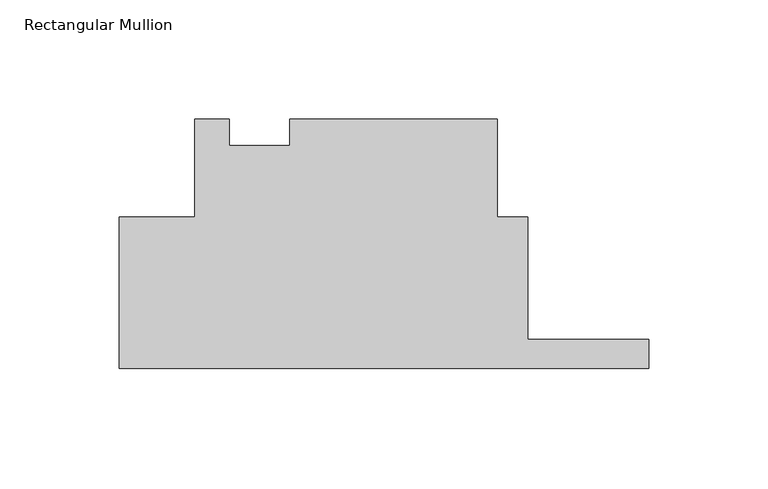
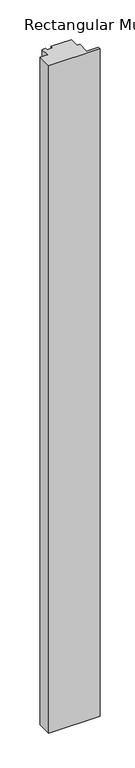
"""IFC4 building model written with IfcOpenShell, lengths in millimetres: member geometry, Rectangular Mullion."""

from ifc_helpers import new_model, si_unit, frame, origin, place, context, project, spatial, polyline, outline, extrude, source, transform, mapped, element, save


def rectangular_mullion_bfd5a005(model_context):
    return source(origin(), model_context, "Body", "SweptSolid", [
        extrude(outline(polyline([(-222.2499999, 63.5254), (-190.5010309, 63.5254), (-190.5010309, 104.7749997), (-176.0972849, 104.7749997), (-176.0972849, 93.6550457), (-150.6972849, 93.6550457), (-150.6972849, 104.7749997), (-63.5010309, 104.7749997), (-63.5010309, 63.5322656), (-50.8, 63.5322656), (-50.8, 12.319), (0.0, 12.319), (0.0, 0.0322656), (-222.2499999, 0.0322656), (-222.2499999, 63.5254)])), frame((0.0, 0.0, -3048.0), z_axis=(0.0, 0.0, 1.0), x_axis=(1.0, 0.0, 0.0)), (0.0, 0.0, 1.0), 3048.0),
    ])


if __name__ == "__main__":
    model = new_model("IFC4")
    model_context = context("Model", 3, world=origin())
    ifc_project = project(units=[si_unit("LENGTHUNIT", "METRE", prefix="MILLI")], contexts=[model_context])
    site = spatial("IfcSite", under=ifc_project)
    building = spatial("IfcBuilding", under=site)
    placement = place(None, origin())
    rectangular_mullion_shape = rectangular_mullion_bfd5a005(model_context)
    element("IfcMember", 1, ObjectType="Rectangular Mullion", at=placement, inside=building, context=model_context, shape_type="MappedRepresentation", body=[
        mapped(rectangular_mullion_shape, transform((0.0, 0.0, 0.0), x_axis=(1.0, 0.0, 0.0), y_axis=(0.0, 1.0, 0.0), z_axis=(0.0, 0.0, 1.0))),
    ])
    save(model, "model.ifc")
